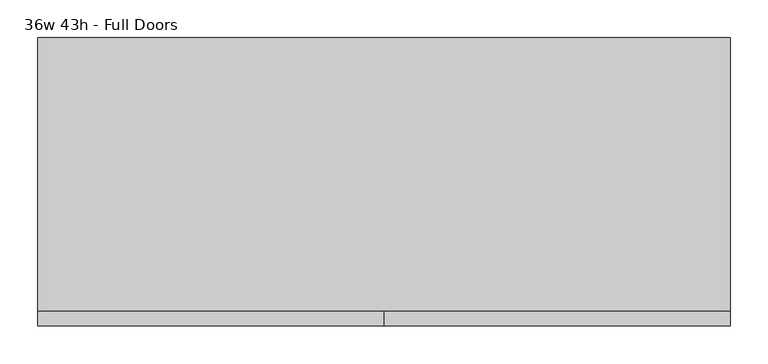
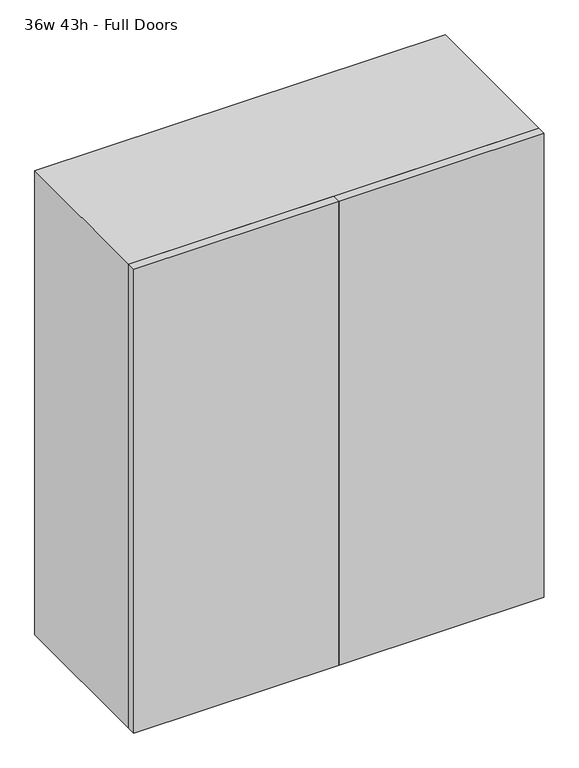
"""IFC4 building model written with IfcOpenShell, lengths in millimetres: furniture geometry, 36w 43h - Full Doors."""

from ifc_helpers import new_model, si_unit, frame, origin, place, context, project, spatial, polyline, outline, extrude, source, transform, mapped, element, save


def furniture_36w_43h_full_doors_0fb054b6(model_context):
    return source(origin(), model_context, "Body", "SweptSolid", [
        extrude(outline(polyline([(438.1569453, 161.925), (438.1569453, -180.975), (-438.1291641, -180.975), (-438.1291641, 161.925), (438.1569453, 161.925)])), frame((0.0, 0.0, 1461.5583333), z_axis=(0.0, 0.0, 1.0), x_axis=(1.0, 0.0, 0.0)), (0.0, 0.0, 1.0), 19.05),
        extrude(outline(polyline([(438.1569453, 161.925), (438.1569453, -180.975), (-438.1291641, -180.975), (-438.1291641, 161.925), (438.1569453, 161.925)])), frame((0.0, 0.0, 1084.7916667), z_axis=(0.0, 0.0, 1.0), x_axis=(1.0, 0.0, 0.0)), (0.0, 0.0, 1.0), 19.05),
        extrude(outline(polyline([(0.0138906, -200.025), (0.0138906, -180.975), (457.2138906, -180.975), (457.2138906, -200.025), (0.0138906, -200.025)])), frame((0.0, 0.0, 736.6), z_axis=(0.0, 0.0, 1.0), x_axis=(1.0, 0.0, 0.0)), (0.0, 0.0, 1.0), 1092.2),
        extrude(outline(polyline([(0.0138906, -200.025), (-457.1861094, -200.025), (-457.1861094, -180.975), (0.0138906, -180.975), (0.0138906, -200.025)])), frame((0.0, 0.0, 736.6), z_axis=(0.0, 0.0, 1.0), x_axis=(1.0, 0.0, 0.0)), (0.0, 0.0, 1.0), 1092.2),
        extrude(outline(polyline([(736.6, -457.1861094), (736.6, 457.2138906), (1828.8, 457.2138906), (1828.8, -457.1861094), (736.6, -457.1861094)]), holes=[polyline([(755.65, -438.1361094), (1809.75, -438.1361094), (1809.75, 438.1569453), (755.65, 438.1569453), (755.65, -438.1361094)])]), frame((0.0, -180.975, 0.0), z_axis=(0.0, 1.0, 0.0), x_axis=(0.0, 0.0, 1.0)), (0.0, 0.0, 1.0), 361.95),
        extrude(outline(polyline([(-438.1291641, 161.925), (-438.1291641, 180.975), (438.1569453, 180.975), (438.1569453, 161.925), (-438.1291641, 161.925)])), frame((0.0, 0.0, 755.65), z_axis=(0.0, 0.0, 1.0), x_axis=(1.0, 0.0, 0.0)), (0.0, 0.0, 1.0), 1054.1),
    ])


if __name__ == "__main__":
    model = new_model("IFC4")
    model_context = context("Model", 3, world=origin())
    ifc_project = project(units=[si_unit("LENGTHUNIT", "METRE", prefix="MILLI")], contexts=[model_context])
    site = spatial("IfcSite", under=ifc_project)
    building = spatial("IfcBuilding", under=site)
    placement = place(None, origin())
    furniture_36w_43h_full_doors_shape = furniture_36w_43h_full_doors_0fb054b6(model_context)
    element("IfcFurniture", 1, ObjectType="36w 43h - Full Doors", at=placement, inside=building, context=model_context, shape_type="MappedRepresentation", body=[
        mapped(furniture_36w_43h_full_doors_shape, transform((0.0, 0.0, 0.0), x_axis=(1.0, 0.0, 0.0), y_axis=(0.0, 1.0, 0.0), z_axis=(0.0, 0.0, 1.0))),
    ])
    save(model, "model.ifc")
